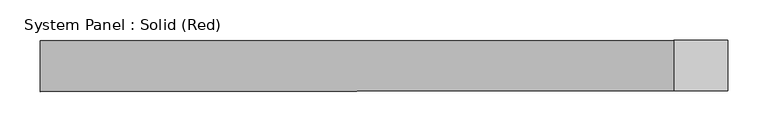
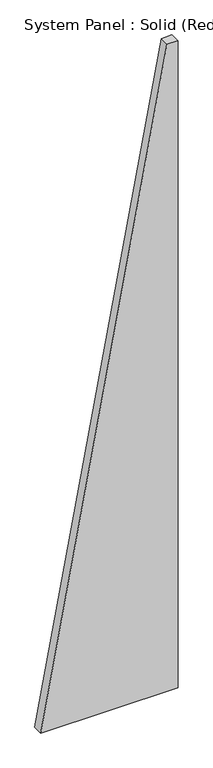
"""IFC4 building model written with IfcOpenShell, lengths in millimetres: plate geometry, System Panel : Solid (Red)."""

from ifc_helpers import new_model, si_unit, frame, origin, place, context, project, spatial, polyline, outline, extrude, source, transform, mapped, element, save


def system_panel_solid_red_e4bbbe6d(model_context):
    return source(origin(), model_context, "Body", "SweptSolid", [
        extrude(outline(polyline([(0.0, -428.9777779), (0.0, 428.9777779), (4267.2, 428.9777779), (4267.2, 361.2444443), (0.0, -428.9777779)])), frame((0.0, -19.05, 0.0), z_axis=(0.0, 1.0, 0.0), x_axis=(0.0, 0.0, 1.0)), (0.0, 0.0, 1.0), 63.5),
    ])


if __name__ == "__main__":
    model = new_model("IFC4")
    model_context = context("Model", 3, world=origin())
    ifc_project = project(units=[si_unit("LENGTHUNIT", "METRE", prefix="MILLI")], contexts=[model_context])
    site = spatial("IfcSite", under=ifc_project)
    building = spatial("IfcBuilding", under=site)
    placement = place(None, origin())
    system_panel_solid_red_shape = system_panel_solid_red_e4bbbe6d(model_context)
    element("IfcPlate", 1, ObjectType="System Panel : Solid (Red)", at=placement, inside=building, context=model_context, shape_type="MappedRepresentation", body=[
        mapped(system_panel_solid_red_shape, transform((0.0, 0.0, 0.0), x_axis=(1.0, 0.0, 0.0), y_axis=(0.0, 1.0, 0.0), z_axis=(0.0, 0.0, 1.0))),
    ])
    save(model, "model.ifc")
